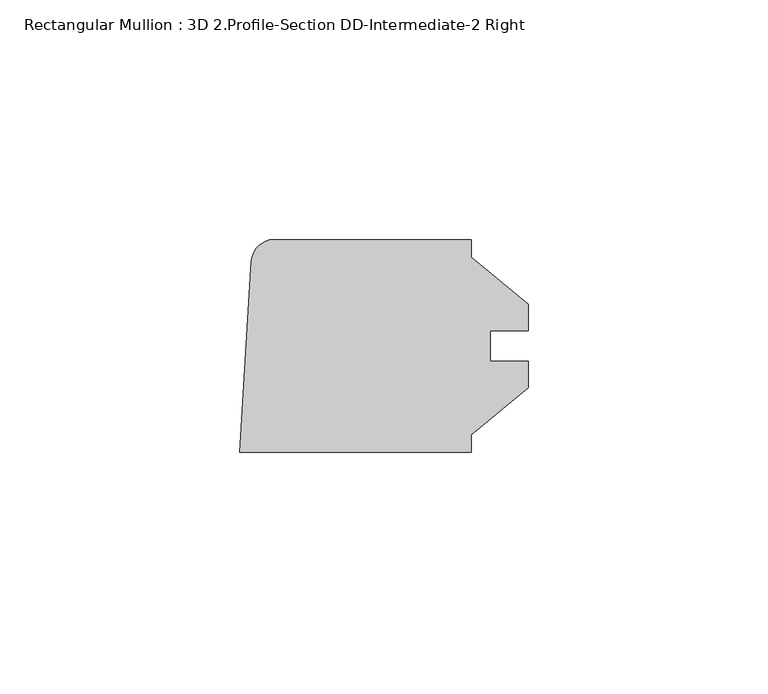
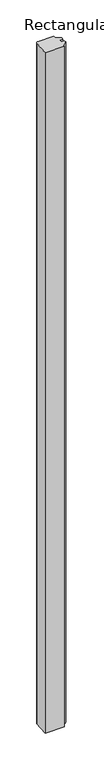
"""IFC4 building model written with IfcOpenShell, lengths in millimetres: member geometry, Rectangular Mullion : 3D 2.Profile-Section DD-Intermediate-2 Right."""

from ifc_helpers import new_model, si_unit, point, frame, frame_2d, origin, place, context, project, spatial, polyline, circle_curve, trimmed, segment, composite_curve, outline, extrude, source, transform, mapped, element, save


def rectangular_mullion_3d_2_profile_section_dd_intermediate_2_bc4184d8(model_context):
    return source(origin(), model_context, "Body", "SweptSolid", [
        extrude(outline(composite_curve([segment(polyline([(-16.1767364, -18.518836), (-16.1767364, -22.225), (-64.5891364, -22.225), (-62.0893561, 17.7714844)]), True, "CONTINUOUS"), segment(trimmed(circle_curve(frame_2d((-57.3488059, 17.4752)), 4.7498), [point((-62.0893561, 17.7714844))], [point((-57.3488059, 22.225))], False, "CARTESIAN"), True, "CONTINUOUS"), segment(polyline([(-57.3488059, 22.225), (-16.1767364, 22.225), (-16.1767364, 18.518836), (-4.2704864, 8.7503), (-4.2704864, 3.175), (-12.2143364, 3.175), (-12.2143364, -3.175), (-4.2704864, -3.175), (-4.2704864, -8.7503), (-16.1767364, -18.518836)]), True, "CONTINUOUS")], self_intersect=False)), frame((0.0, 0.0, -1828.00625), z_axis=(0.0, 0.0, 1.0), x_axis=(1.0, 0.0, 0.0)), (0.0, 0.0, 1.0), 1828.00625),
    ])


if __name__ == "__main__":
    model = new_model("IFC4")
    model_context = context("Model", 3, world=origin())
    ifc_project = project(units=[si_unit("LENGTHUNIT", "METRE", prefix="MILLI")], contexts=[model_context])
    site = spatial("IfcSite", under=ifc_project)
    building = spatial("IfcBuilding", under=site)
    placement = place(None, origin())
    rectangular_mullion_3d_2_profile_section_dd_intermediate_2_shape = rectangular_mullion_3d_2_profile_section_dd_intermediate_2_bc4184d8(model_context)
    element("IfcMember", 1, ObjectType="Rectangular Mullion : 3D 2.Profile-Section DD-Intermediate-2 Right", at=placement, inside=building, context=model_context, shape_type="MappedRepresentation", body=[
        mapped(rectangular_mullion_3d_2_profile_section_dd_intermediate_2_shape, transform((0.0, 0.0, 0.0), x_axis=(1.0, 0.0, 0.0), y_axis=(0.0, 1.0, 0.0), z_axis=(0.0, 0.0, 1.0))),
    ])
    save(model, "model.ifc")
